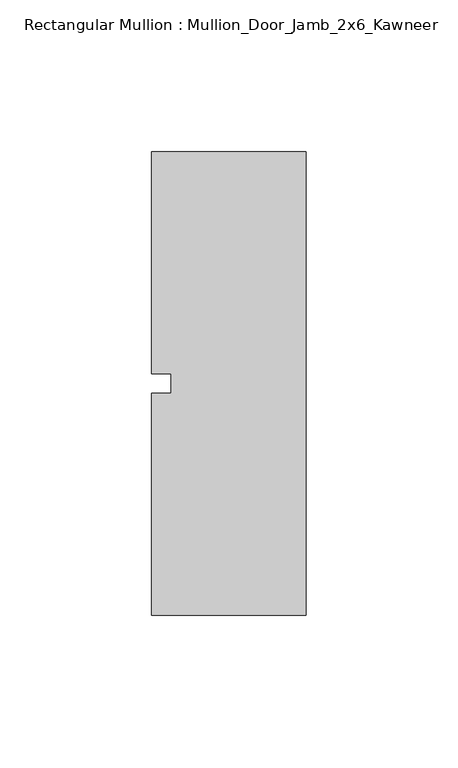
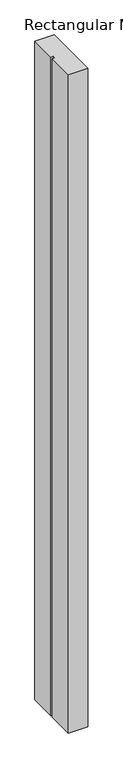
"""IFC4 building model written with IfcOpenShell, lengths in millimetres: member geometry, Rectangular Mullion : Mullion_Door_Jamb_2x6_Kawneer."""

from ifc_helpers import new_model, si_unit, frame, origin, place, context, project, spatial, polyline, outline, extrude, source, transform, mapped, element, save


def rectangular_mullion_mullion_door_jamb_2x6_kawneer_fa558196(model_context):
    return source(origin(), model_context, "Body", "SweptSolid", [
        extrude(outline(polyline([(-25.4, 76.2), (25.4, 76.2), (25.4, -76.2), (-25.4, -76.2), (-25.4, -3.175), (-19.05, -3.175), (-19.05, 3.175), (-25.4, 3.175), (-25.4, 76.2)])), frame((0.0, 0.0, -1828.8), z_axis=(0.0, 0.0, 1.0), x_axis=(1.0, 0.0, 0.0)), (0.0, 0.0, 1.0), 1828.8),
    ])


if __name__ == "__main__":
    model = new_model("IFC4")
    model_context = context("Model", 3, world=origin())
    ifc_project = project(units=[si_unit("LENGTHUNIT", "METRE", prefix="MILLI")], contexts=[model_context])
    site = spatial("IfcSite", under=ifc_project)
    building = spatial("IfcBuilding", under=site)
    placement = place(None, origin())
    rectangular_mullion_mullion_door_jamb_2x6_kawneer_shape = rectangular_mullion_mullion_door_jamb_2x6_kawneer_fa558196(model_context)
    element("IfcMember", 1, ObjectType="Rectangular Mullion : Mullion_Door_Jamb_2x6_Kawneer", at=placement, inside=building, context=model_context, shape_type="MappedRepresentation", body=[
        mapped(rectangular_mullion_mullion_door_jamb_2x6_kawneer_shape, transform((0.0, 0.0, 0.0), x_axis=(1.0, 0.0, 0.0), y_axis=(0.0, 1.0, 0.0), z_axis=(0.0, 0.0, 1.0))),
    ])
    save(model, "model.ifc")
